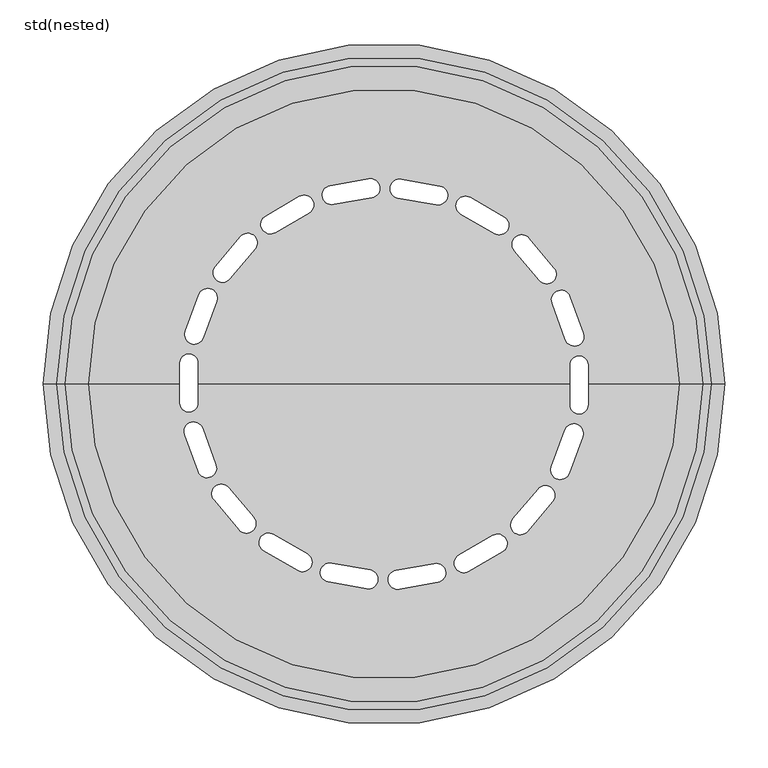
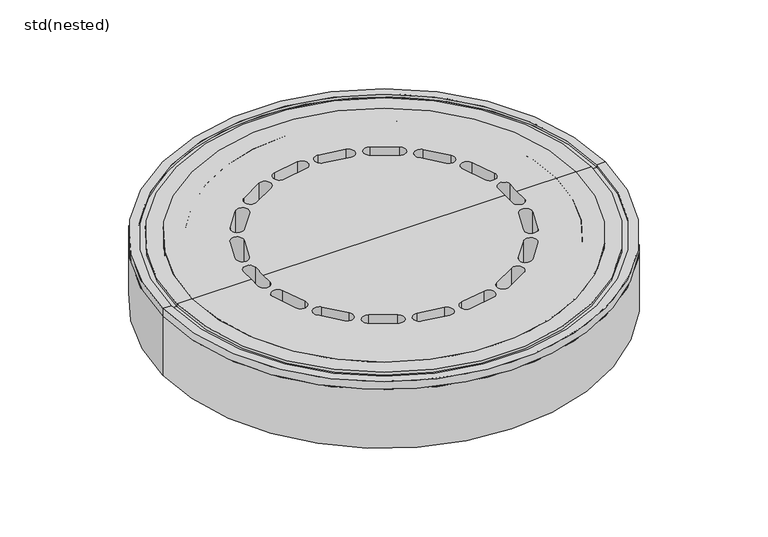
"""IFC4 building model written with IfcOpenShell, lengths in millimetres: sanitary terminal geometry, std(nested)."""

from ifc_helpers import new_model, si_unit, frame, origin, place, context, project, spatial, polyline, circle_curve, source, transform, mapped, element, save
from ifc_brep_helpers import plane_surface, cylinder_surface, revolved_surface, advanced_brep


def std_nested_a43e4b7d(model_context):
    return source(origin(), model_context, "Body", "AdvancedBrep", [
        advanced_brep(
        [(302.5, 0.0, -50.0), (-302.5, 0.0, -50.0), (-340.0, 0.0, -50.0), (340.0, 0.0, -50.0), (302.5, 0.0, -94.7677946), (-302.5, 0.0, -94.7677946), (235.8458576, 0.0, -94.7677946), (235.8458576, 21.356506, -94.7677946), (213.8458576, 21.356506, -94.7677946), (213.8458576, 0.0, -94.7677946), (0.0, 0.0, -94.7677946), (-213.8458576, 0.0, -94.7677946), (-213.8458576, 23.643494, -94.7677946), (-235.8458576, 23.643494, -94.7677946), (-235.8458576, 0.0, -94.7677946), (-17.6699072, 236.3684787, -94.7677946), (-61.9862561, 228.5543107, -94.7677946), (-58.1659962, 206.8885402, -94.7677946), (-13.8496473, 214.7027082, -94.7677946), (-97.4470624, 216.0702511, -94.7677946), (-136.4182055, 193.5702511, -94.7677946), (-125.4182055, 174.5176922, -94.7677946), (-86.4470624, 197.0176922, -94.7677946), (-165.4706637, 169.7107623, -94.7677946), (-194.3961061, 135.2387623, -94.7677946), (-177.5431283, 121.0974349, -94.7677946), (-148.6176859, 155.5694348, -94.7677946), (-213.5360608, 102.8816509, -94.7677946), (-228.9269673, 60.5954829, -94.7677946), (-208.2537296, 53.0710398, -94.7677946), (-192.8628232, 95.3572077, -94.7677946), (229.7091632, 58.4464172, -94.7677946), (214.3182568, 100.7325851, -94.7677946), (193.6450191, 93.208142, -94.7677946), (209.0359256, 50.921974, -94.7677946), (195.8661536, 133.4868279, -94.7677946), (166.9407112, 167.9588278, -94.7677946), (150.0877335, 153.8175004, -94.7677946), (179.0131759, 119.3455005, -94.7677946), (138.3987952, 192.4267571, -94.7677946), (99.4276521, 214.9267571, -94.7677946), (88.4276521, 195.8741982, -94.7677946), (127.3987952, 173.3741982, -94.7677946), (64.2384996, 228.1571794, -94.7677946), (19.9221507, 235.9713474, -94.7677946), (16.1018908, 214.3055769, -94.7677946), (60.4182397, 206.4914089, -94.7677946), (-235.8458576, -21.356506, -94.7677946), (-213.8458576, -21.356506, -94.7677946), (213.8458576, -23.643494, -94.7677946), (235.8458576, -23.643494, -94.7677946), (-229.7091632, -58.4464172, -94.7677946), (-214.3182568, -100.7325851, -94.7677946), (-193.6450191, -93.208142, -94.7677946), (-209.0359256, -50.921974, -94.7677946), (-195.8661536, -133.4868279, -94.7677946), (-166.9407112, -167.9588278, -94.7677946), (-150.0877335, -153.8175004, -94.7677946), (-179.0131759, -119.3455005, -94.7677946), (-138.3987952, -192.4267571, -94.7677946), (-99.4276521, -214.9267571, -94.7677946), (-88.4276521, -195.8741982, -94.7677946), (-127.3987952, -173.3741982, -94.7677946), (-64.2384996, -228.1571794, -94.7677946), (-19.9221507, -235.9713474, -94.7677946), (-16.1018908, -214.3055769, -94.7677946), (-60.4182397, -206.4914089, -94.7677946), (17.6699072, -236.3684787, -94.7677946), (61.9862561, -228.5543107, -94.7677946), (58.1659962, -206.8885402, -94.7677946), (13.8496473, -214.7027082, -94.7677946), (97.4470624, -216.0702511, -94.7677946), (136.4182055, -193.5702511, -94.7677946), (125.4182055, -174.5176922, -94.7677946), (86.4470624, -197.0176922, -94.7677946), (165.4706637, -169.7107623, -94.7677946), (194.3961061, -135.2387623, -94.7677946), (177.5431283, -121.0974349, -94.7677946), (148.6176859, -155.5694348, -94.7677946), (213.5360608, -102.8816509, -94.7677946), (228.9269673, -60.5954829, -94.7677946), (208.2537296, -53.0710398, -94.7677946), (192.8628232, -95.3572077, -94.7677946), (340.0, 0.0, 0.0), (-340.0, 0.0, 0.0), (-235.8458576, 0.0, 0.0), (-235.8458576, 23.643494, 0.0), (-213.8458576, 23.643494, 0.0), (-213.8458576, 0.0, 0.0), (0.0, 0.0, 0.0), (213.8458576, 0.0, 0.0), (213.8458576, 21.356506, 0.0), (235.8458576, 21.356506, 0.0), (235.8458576, 0.0, 0.0), (-61.9862561, 228.5543107, 0.0), (-17.6699072, 236.3684787, 0.0), (-13.8496473, 214.7027082, 0.0), (-58.1659962, 206.8885402, 0.0), (-136.4182055, 193.5702511, 0.0), (-97.4470624, 216.0702511, 0.0), (-86.4470624, 197.0176922, 0.0), (-125.4182055, 174.5176922, 0.0), (-194.3961061, 135.2387623, 0.0), (-165.4706637, 169.7107623, 0.0), (-148.6176859, 155.5694348, 0.0), (-177.5431283, 121.0974349, 0.0), (-228.9269673, 60.5954829, 0.0), (-213.5360608, 102.8816509, 0.0), (-192.8628232, 95.3572077, 0.0), (-208.2537296, 53.0710398, 0.0), (214.3182568, 100.7325851, 0.0), (229.7091632, 58.4464172, 0.0), (209.0359256, 50.921974, 0.0), (193.6450191, 93.208142, 0.0), (166.9407112, 167.9588278, 0.0), (195.8661536, 133.4868279, 0.0), (179.0131759, 119.3455005, 0.0), (150.0877335, 153.8175004, 0.0), (99.4276521, 214.9267571, 0.0), (138.3987952, 192.4267571, 0.0), (127.3987952, 173.3741982, 0.0), (88.4276521, 195.8741982, 0.0), (19.9221507, 235.9713474, 0.0), (64.2384996, 228.1571794, 0.0), (60.4182397, 206.4914089, 0.0), (16.1018908, 214.3055769, 0.0), (235.8458576, -23.643494, 0.0), (213.8458576, -23.643494, 0.0), (-213.8458576, -21.356506, 0.0), (-235.8458576, -21.356506, 0.0), (-214.3182568, -100.7325851, 0.0), (-229.7091632, -58.4464172, 0.0), (-209.0359256, -50.921974, 0.0), (-193.6450191, -93.208142, 0.0), (-166.9407112, -167.9588278, 0.0), (-195.8661536, -133.4868279, 0.0), (-179.0131759, -119.3455005, 0.0), (-150.0877335, -153.8175004, 0.0), (-99.4276521, -214.9267571, 0.0), (-138.3987952, -192.4267571, 0.0), (-127.3987952, -173.3741982, 0.0), (-88.4276521, -195.8741982, 0.0), (-19.9221507, -235.9713474, 0.0), (-64.2384996, -228.1571794, 0.0), (-60.4182397, -206.4914089, 0.0), (-16.1018908, -214.3055769, 0.0), (61.9862561, -228.5543107, 0.0), (17.6699072, -236.3684787, 0.0), (13.8496473, -214.7027082, 0.0), (58.1659962, -206.8885402, 0.0), (136.4182055, -193.5702511, 0.0), (97.4470624, -216.0702511, 0.0), (86.4470624, -197.0176922, 0.0), (125.4182055, -174.5176922, 0.0), (194.3961061, -135.2387623, 0.0), (165.4706637, -169.7107623, 0.0), (148.6176859, -155.5694348, 0.0), (177.5431283, -121.0974349, 0.0), (228.9269673, -60.5954829, 0.0), (213.5360608, -102.8816509, 0.0), (192.8628232, -95.3572077, 0.0), (208.2537296, -53.0710398, 0.0)],
        [
            (0, 1, circle_curve(frame((0.0, 0.0, -50.0), z_axis=(0.0, 0.0, 1.0), x_axis=(-1.0, 0.0, 0.0)), 302.5)),
            (1, 2),
            (2, 3, circle_curve(frame((0.0, 0.0, -50.0), z_axis=(0.0, 0.0, -1.0), x_axis=(-1.0, 0.0, 0.0)), 340.0)),
            (3, 0),
            (1, 0, circle_curve(frame((0.0, 0.0, -50.0), z_axis=(0.0, 0.0, 1.0), x_axis=(-1.0, 0.0, 0.0)), 302.5)),
            (3, 2, circle_curve(frame((0.0, 0.0, -50.0), z_axis=(0.0, 0.0, -1.0), x_axis=(-1.0, 0.0, 0.0)), 340.0)),
            (0, 4),
            (4, 5, circle_curve(frame((0.0, 0.0, -94.7677946), z_axis=(0.0, 0.0, 1.0), x_axis=(-1.0, 0.0, 0.0)), 302.5)),
            (5, 1),
            (5, 4, circle_curve(frame((0.0, 0.0, -94.7677946), z_axis=(0.0, 0.0, 1.0), x_axis=(-1.0, 0.0, 0.0)), 302.5)),
            (4, 6),
            (6, 7),
            (7, 8, circle_curve(frame((224.8458576, 21.356506, -94.7677946), z_axis=(0.0, 0.0, 1.0), x_axis=(0.5000000000000374, 0.8660254037844171, 0.0)), 11.0)),
            (8, 9),
            (9, 10),
            (10, 11),
            (11, 12),
            (12, 13, circle_curve(frame((-224.8458576, 23.643494, -94.7677946), z_axis=(0.0, 0.0, 1.0), x_axis=(-0.5000000000000231, -0.8660254037844253, 0.0)), 11.0)),
            (13, 14),
            (14, 5),
            (15, 16),
            (16, 17, circle_curve(frame((-60.0761261, 217.7214254, -94.7677946), z_axis=(0.0, 0.0, 1.0), x_axis=(-0.9396926207858995, 0.34202014332569325, 0.0)), 11.0)),
            (17, 18),
            (18, 15, circle_curve(frame((-15.7597772, 225.5355934, -94.7677946), z_axis=(0.0, 0.0, 1.0), x_axis=(-0.9396926207858995, 0.34202014332569325, 0.0)), 11.0)),
            (19, 20),
            (20, 21, circle_curve(frame((-130.9182055, 184.0439716, -94.7677946), z_axis=(0.0, 0.0, 1.0), x_axis=(-1.0, 0.0, 0.0)), 11.0)),
            (21, 22),
            (22, 19, circle_curve(frame((-91.9470624, 206.5439716, -94.7677946), z_axis=(0.0, 0.0, 1.0), x_axis=(-1.0, 0.0, 0.0)), 11.0)),
            (23, 24),
            (24, 25, circle_curve(frame((-185.9696172, 128.1680986, -94.7677946), z_axis=(0.0, 0.0, 1.0), x_axis=(-0.9396926207859174, -0.34202014332564423, 0.0)), 11.0)),
            (25, 26),
            (26, 23, circle_curve(frame((-157.0441748, 162.6400985, -94.7677946), z_axis=(0.0, 0.0, 1.0), x_axis=(-0.9396926207859174, -0.34202014332564423, 0.0)), 11.0)),
            (27, 28),
            (28, 29, circle_curve(frame((-218.5903484, 56.8332613, -94.7677946), z_axis=(0.0, 0.0, 1.0), x_axis=(-0.7660444431189948, -0.6427876096865193, 0.0)), 11.0)),
            (29, 30),
            (30, 27, circle_curve(frame((-203.199442, 99.1194293, -94.7677946), z_axis=(0.0, 0.0, 1.0), x_axis=(-0.7660444431189948, -0.6427876096865193, 0.0)), 11.0)),
            (31, 32),
            (32, 33, circle_curve(frame((203.981638, 96.9703635, -94.7677946), z_axis=(0.0, 0.0, 1.0), x_axis=(0.17364817766697244, 0.9848077530122008, 0.0)), 11.0)),
            (33, 34),
            (34, 31, circle_curve(frame((219.3725444, 54.6841956, -94.7677946), z_axis=(0.0, 0.0, 1.0), x_axis=(0.17364817766697244, 0.9848077530122008, 0.0)), 11.0)),
            (35, 36),
            (36, 37, circle_curve(frame((158.5142223, 160.8881641, -94.7677946), z_axis=(0.0, 0.0, 1.0), x_axis=(-0.17364817766688778, 0.9848077530122157, 0.0)), 11.0)),
            (37, 38),
            (38, 35, circle_curve(frame((187.4396648, 126.4161642, -94.7677946), z_axis=(0.0, 0.0, 1.0), x_axis=(-0.17364817766688778, 0.9848077530122157, 0.0)), 11.0)),
            (39, 40),
            (40, 41, circle_curve(frame((93.9276521, 205.4004776, -94.7677946), z_axis=(0.0, 0.0, 1.0), x_axis=(-0.4999999999999623, 0.8660254037844604, 0.0)), 11.0)),
            (41, 42),
            (42, 39, circle_curve(frame((132.8987952, 182.9004776, -94.7677946), z_axis=(0.0, 0.0, 1.0), x_axis=(-0.4999999999999623, 0.8660254037844604, 0.0)), 11.0)),
            (43, 44),
            (44, 45, circle_curve(frame((18.0120207, 225.1384621, -94.7677946), z_axis=(0.0, 0.0, 1.0), x_axis=(-0.766044443118958, 0.6427876096865633, 0.0)), 11.0)),
            (45, 46),
            (46, 43, circle_curve(frame((62.3283696, 217.3242941, -94.7677946), z_axis=(0.0, 0.0, 1.0), x_axis=(-0.766044443118958, 0.6427876096865633, 0.0)), 11.0)),
            (14, 47),
            (47, 48, circle_curve(frame((-224.8458576, -21.356506, -94.7677946), z_axis=(0.0, 0.0, 1.0), x_axis=(-0.5000000000000231, -0.8660254037844253, 0.0)), 11.0)),
            (48, 11),
            (9, 49),
            (49, 50, circle_curve(frame((224.8458576, -23.643494, -94.7677946), z_axis=(0.0, 0.0, 1.0), x_axis=(0.5000000000000374, 0.8660254037844171, 0.0)), 11.0)),
            (50, 6),
            (51, 52),
            (52, 53, circle_curve(frame((-203.981638, -96.9703635, -94.7677946), z_axis=(0.0, 0.0, 1.0), x_axis=(-0.1736481776669569, -0.9848077530122035, 0.0)), 11.0)),
            (53, 54),
            (54, 51, circle_curve(frame((-219.3725444, -54.6841956, -94.7677946), z_axis=(0.0, 0.0, 1.0), x_axis=(-0.1736481776669569, -0.9848077530122035, 0.0)), 11.0)),
            (55, 56),
            (56, 57, circle_curve(frame((-158.5142223, -160.8881641, -94.7677946), z_axis=(0.0, 0.0, 1.0), x_axis=(0.17364817766690338, -0.9848077530122129, 0.0)), 11.0)),
            (57, 58),
            (58, 55, circle_curve(frame((-187.4396648, -126.4161642, -94.7677946), z_axis=(0.0, 0.0, 1.0), x_axis=(0.17364817766690338, -0.9848077530122129, 0.0)), 11.0)),
            (59, 60),
            (60, 61, circle_curve(frame((-93.9276521, -205.4004776, -94.7677946), z_axis=(0.0, 0.0, 1.0), x_axis=(0.4999999999999759, -0.8660254037844527, 0.0)), 11.0)),
            (61, 62),
            (62, 59, circle_curve(frame((-132.8987952, -182.9004776, -94.7677946), z_axis=(0.0, 0.0, 1.0), x_axis=(0.4999999999999759, -0.8660254037844527, 0.0)), 11.0)),
            (63, 64),
            (64, 65, circle_curve(frame((-18.0120207, -225.1384621, -94.7677946), z_axis=(0.0, 0.0, 1.0), x_axis=(0.7660444431189559, -0.6427876096865658, 0.0)), 11.0)),
            (65, 66),
            (66, 63, circle_curve(frame((-62.3283696, -217.3242941, -94.7677946), z_axis=(0.0, 0.0, 1.0), x_axis=(0.7660444431189559, -0.6427876096865658, 0.0)), 11.0)),
            (67, 68),
            (68, 69, circle_curve(frame((60.0761261, -217.7214254, -94.7677946), z_axis=(0.0, 0.0, 1.0), x_axis=(0.9396926207858944, -0.34202014332570735, 0.0)), 11.0)),
            (69, 70),
            (70, 67, circle_curve(frame((15.7597772, -225.5355934, -94.7677946), z_axis=(0.0, 0.0, 1.0), x_axis=(0.9396926207858944, -0.34202014332570735, 0.0)), 11.0)),
            (71, 72),
            (72, 73, circle_curve(frame((130.9182055, -184.0439716, -94.7677946), z_axis=(0.0, 0.0, 1.0), x_axis=(1.0, 0.0, 0.0)), 11.0)),
            (73, 74),
            (74, 71, circle_curve(frame((91.9470624, -206.5439716, -94.7677946), z_axis=(0.0, 0.0, 1.0), x_axis=(1.0, 0.0, 0.0)), 11.0)),
            (75, 76),
            (76, 77, circle_curve(frame((185.9696172, -128.1680986, -94.7677946), z_axis=(0.0, 0.0, 1.0), x_axis=(0.939692620785923, 0.34202014332562886, 0.0)), 11.0)),
            (77, 78),
            (78, 75, circle_curve(frame((157.0441748, -162.6400985, -94.7677946), z_axis=(0.0, 0.0, 1.0), x_axis=(0.939692620785923, 0.34202014332562886, 0.0)), 11.0)),
            (79, 80),
            (80, 81, circle_curve(frame((218.5903484, -56.8332613, -94.7677946), z_axis=(0.0, 0.0, 1.0), x_axis=(0.766044443119005, 0.6427876096865074, 0.0)), 11.0)),
            (81, 82),
            (82, 79, circle_curve(frame((203.199442, -99.1194293, -94.7677946), z_axis=(0.0, 0.0, 1.0), x_axis=(0.766044443119005, 0.6427876096865074, 0.0)), 11.0)),
            (83, 84, circle_curve(frame((0.0, 0.0, 0.0), z_axis=(0.0, 0.0, 1.0), x_axis=(-1.0, 0.0, 0.0)), 340.0)),
            (84, 85),
            (85, 86),
            (86, 87, circle_curve(frame((-224.8458576, 23.643494, 0.0), z_axis=(0.0, 0.0, -1.0), x_axis=(-0.5000000000000231, -0.8660254037844253, 0.0)), 11.0)),
            (87, 88),
            (88, 89),
            (89, 90),
            (90, 91),
            (91, 92, circle_curve(frame((224.8458576, 21.356506, 0.0), z_axis=(0.0, 0.0, -1.0), x_axis=(0.5000000000000374, 0.8660254037844171, 0.0)), 11.0)),
            (92, 93),
            (93, 83),
            (94, 95),
            (95, 96, circle_curve(frame((-15.7597772, 225.5355934, 0.0), z_axis=(0.0, 0.0, -1.0), x_axis=(-0.9396926207858995, 0.34202014332569325, 0.0)), 11.0)),
            (96, 97),
            (97, 94, circle_curve(frame((-60.0761261, 217.7214254, 0.0), z_axis=(0.0, 0.0, -1.0), x_axis=(-0.9396926207858995, 0.34202014332569325, 0.0)), 11.0)),
            (98, 99),
            (99, 100, circle_curve(frame((-91.9470624, 206.5439716, 0.0), z_axis=(0.0, 0.0, -1.0), x_axis=(-1.0, 0.0, 0.0)), 11.0)),
            (100, 101),
            (101, 98, circle_curve(frame((-130.9182055, 184.0439716, 0.0), z_axis=(0.0, 0.0, -1.0), x_axis=(-1.0, 0.0, 0.0)), 11.0)),
            (102, 103),
            (103, 104, circle_curve(frame((-157.0441748, 162.6400985, 0.0), z_axis=(0.0, 0.0, -1.0), x_axis=(-0.9396926207859174, -0.34202014332564423, 0.0)), 11.0)),
            (104, 105),
            (105, 102, circle_curve(frame((-185.9696172, 128.1680986, 0.0), z_axis=(0.0, 0.0, -1.0), x_axis=(-0.9396926207859174, -0.34202014332564423, 0.0)), 11.0)),
            (106, 107),
            (107, 108, circle_curve(frame((-203.199442, 99.1194293, 0.0), z_axis=(0.0, 0.0, -1.0), x_axis=(-0.7660444431189948, -0.6427876096865193, 0.0)), 11.0)),
            (108, 109),
            (109, 106, circle_curve(frame((-218.5903484, 56.8332613, 0.0), z_axis=(0.0, 0.0, -1.0), x_axis=(-0.7660444431189948, -0.6427876096865193, 0.0)), 11.0)),
            (110, 111),
            (111, 112, circle_curve(frame((219.3725444, 54.6841956, 0.0), z_axis=(0.0, 0.0, -1.0), x_axis=(0.17364817766697244, 0.9848077530122008, 0.0)), 11.0)),
            (112, 113),
            (113, 110, circle_curve(frame((203.981638, 96.9703635, 0.0), z_axis=(0.0, 0.0, -1.0), x_axis=(0.17364817766697244, 0.9848077530122008, 0.0)), 11.0)),
            (114, 115),
            (115, 116, circle_curve(frame((187.4396648, 126.4161642, 0.0), z_axis=(0.0, 0.0, -1.0), x_axis=(-0.17364817766688778, 0.9848077530122157, 0.0)), 11.0)),
            (116, 117),
            (117, 114, circle_curve(frame((158.5142223, 160.8881641, 0.0), z_axis=(0.0, 0.0, -1.0), x_axis=(-0.17364817766688778, 0.9848077530122157, 0.0)), 11.0)),
            (118, 119),
            (119, 120, circle_curve(frame((132.8987952, 182.9004776, 0.0), z_axis=(0.0, 0.0, -1.0), x_axis=(-0.4999999999999623, 0.8660254037844604, 0.0)), 11.0)),
            (120, 121),
            (121, 118, circle_curve(frame((93.9276521, 205.4004776, 0.0), z_axis=(0.0, 0.0, -1.0), x_axis=(-0.4999999999999623, 0.8660254037844604, 0.0)), 11.0)),
            (122, 123),
            (123, 124, circle_curve(frame((62.3283696, 217.3242941, 0.0), z_axis=(0.0, 0.0, -1.0), x_axis=(-0.766044443118958, 0.6427876096865633, 0.0)), 11.0)),
            (124, 125),
            (125, 122, circle_curve(frame((18.0120207, 225.1384621, 0.0), z_axis=(0.0, 0.0, -1.0), x_axis=(-0.766044443118958, 0.6427876096865633, 0.0)), 11.0)),
            (84, 83, circle_curve(frame((0.0, 0.0, 0.0), z_axis=(0.0, 0.0, 1.0), x_axis=(-1.0, 0.0, 0.0)), 340.0)),
            (93, 126),
            (126, 127, circle_curve(frame((224.8458576, -23.643494, 0.0), z_axis=(0.0, 0.0, -1.0), x_axis=(0.5000000000000374, 0.8660254037844171, 0.0)), 11.0)),
            (127, 90),
            (88, 128),
            (128, 129, circle_curve(frame((-224.8458576, -21.356506, 0.0), z_axis=(0.0, 0.0, -1.0), x_axis=(-0.5000000000000231, -0.8660254037844253, 0.0)), 11.0)),
            (129, 85),
            (130, 131),
            (131, 132, circle_curve(frame((-219.3725444, -54.6841956, 0.0), z_axis=(0.0, 0.0, -1.0), x_axis=(-0.1736481776669569, -0.9848077530122035, 0.0)), 11.0)),
            (132, 133),
            (133, 130, circle_curve(frame((-203.981638, -96.9703635, 0.0), z_axis=(0.0, 0.0, -1.0), x_axis=(-0.1736481776669569, -0.9848077530122035, 0.0)), 11.0)),
            (134, 135),
            (135, 136, circle_curve(frame((-187.4396648, -126.4161642, 0.0), z_axis=(0.0, 0.0, -1.0), x_axis=(0.17364817766690338, -0.9848077530122129, 0.0)), 11.0)),
            (136, 137),
            (137, 134, circle_curve(frame((-158.5142223, -160.8881641, 0.0), z_axis=(0.0, 0.0, -1.0), x_axis=(0.17364817766690338, -0.9848077530122129, 0.0)), 11.0)),
            (138, 139),
            (139, 140, circle_curve(frame((-132.8987952, -182.9004776, 0.0), z_axis=(0.0, 0.0, -1.0), x_axis=(0.4999999999999759, -0.8660254037844527, 0.0)), 11.0)),
            (140, 141),
            (141, 138, circle_curve(frame((-93.9276521, -205.4004776, 0.0), z_axis=(0.0, 0.0, -1.0), x_axis=(0.4999999999999759, -0.8660254037844527, 0.0)), 11.0)),
            (142, 143),
            (143, 144, circle_curve(frame((-62.3283696, -217.3242941, 0.0), z_axis=(0.0, 0.0, -1.0), x_axis=(0.7660444431189559, -0.6427876096865658, 0.0)), 11.0)),
            (144, 145),
            (145, 142, circle_curve(frame((-18.0120207, -225.1384621, 0.0), z_axis=(0.0, 0.0, -1.0), x_axis=(0.7660444431189559, -0.6427876096865658, 0.0)), 11.0)),
            (146, 147),
            (147, 148, circle_curve(frame((15.7597772, -225.5355934, 0.0), z_axis=(0.0, 0.0, -1.0), x_axis=(0.9396926207858944, -0.34202014332570735, 0.0)), 11.0)),
            (148, 149),
            (149, 146, circle_curve(frame((60.0761261, -217.7214254, 0.0), z_axis=(0.0, 0.0, -1.0), x_axis=(0.9396926207858944, -0.34202014332570735, 0.0)), 11.0)),
            (150, 151),
            (151, 152, circle_curve(frame((91.9470624, -206.5439716, 0.0), z_axis=(0.0, 0.0, -1.0), x_axis=(1.0, 0.0, 0.0)), 11.0)),
            (152, 153),
            (153, 150, circle_curve(frame((130.9182055, -184.0439716, 0.0), z_axis=(0.0, 0.0, -1.0), x_axis=(1.0, 0.0, 0.0)), 11.0)),
            (154, 155),
            (155, 156, circle_curve(frame((157.0441748, -162.6400985, 0.0), z_axis=(0.0, 0.0, -1.0), x_axis=(0.939692620785923, 0.34202014332562886, 0.0)), 11.0)),
            (156, 157),
            (157, 154, circle_curve(frame((185.9696172, -128.1680986, 0.0), z_axis=(0.0, 0.0, -1.0), x_axis=(0.939692620785923, 0.34202014332562886, 0.0)), 11.0)),
            (158, 159),
            (159, 160, circle_curve(frame((203.199442, -99.1194293, 0.0), z_axis=(0.0, 0.0, -1.0), x_axis=(0.766044443119005, 0.6427876096865074, 0.0)), 11.0)),
            (160, 161),
            (161, 158, circle_curve(frame((218.5903484, -56.8332613, 0.0), z_axis=(0.0, 0.0, -1.0), x_axis=(0.766044443119005, 0.6427876096865074, 0.0)), 11.0)),
            (2, 84),
            (83, 3),
            (15, 95),
            (94, 16),
            (97, 17),
            (96, 18),
            (19, 99),
            (98, 20),
            (101, 21),
            (100, 22),
            (23, 103),
            (102, 24),
            (105, 25),
            (104, 26),
            (27, 107),
            (106, 28),
            (109, 29),
            (108, 30),
            (13, 86),
            (129, 47),
            (128, 48),
            (87, 12),
            (51, 131),
            (130, 52),
            (133, 53),
            (132, 54),
            (55, 135),
            (134, 56),
            (137, 57),
            (136, 58),
            (59, 139),
            (138, 60),
            (141, 61),
            (140, 62),
            (63, 143),
            (142, 64),
            (145, 65),
            (144, 66),
            (67, 147),
            (146, 68),
            (149, 69),
            (148, 70),
            (71, 151),
            (150, 72),
            (153, 73),
            (152, 74),
            (75, 155),
            (154, 76),
            (157, 77),
            (156, 78),
            (79, 159),
            (158, 80),
            (161, 81),
            (160, 82),
            (50, 126),
            (92, 7),
            (91, 8),
            (127, 49),
            (31, 111),
            (110, 32),
            (113, 33),
            (112, 34),
            (35, 115),
            (114, 36),
            (117, 37),
            (116, 38),
            (39, 119),
            (118, 40),
            (121, 41),
            (120, 42),
            (43, 123),
            (122, 44),
            (125, 45),
            (124, 46),
        ],
        [
            plane_surface(frame((0.0, 0.0, -50.0), z_axis=(0.0, 0.0, -1.0), x_axis=(-1.0, 0.0, 0.0))),
            cylinder_surface(frame((0.0, 0.0, 760.0), z_axis=(0.0, 0.0, -1.0), x_axis=(-1.0, 0.0, 0.0)), 302.5),
            plane_surface(frame((0.0, 0.0, -94.7677946), z_axis=(0.0, 0.0, -1.0), x_axis=(-1.0, 0.0, 0.0))),
            plane_surface(frame((0.0, 0.0, 0.0), z_axis=(0.0, 0.0, 1.0), x_axis=(-1.0, 0.0, 0.0))),
            cylinder_surface(frame((0.0, 0.0, 760.0), z_axis=(0.0, 0.0, -1.0), x_axis=(-1.0, 0.0, 0.0)), 340.0),
            plane_surface(frame((-17.6699072, 236.3684787, 1.0), z_axis=(0.17364817766690385, -0.9848077530122128, 0.0), x_axis=(0.0, 0.0, -1.0))),
            revolved_surface(polyline([(-70.4127449286449, 221.4836469765826, 2.842170943040401e-14), (-70.4127449286449, 221.4836469765826, -94.7677946)]), (-60.0761261, 217.7214254, -94.7677946), (0.0, 0.0, 1.0000000000000002)),
            plane_surface(frame((-58.1659962, 206.8885402, 1.0), z_axis=(-0.17364817766690446, 0.9848077530122127, 0.0), x_axis=(0.0, 0.0, -1.0))),
            revolved_surface(polyline([(-26.096396028644897, 229.29781497658263, 2.842170943040401e-14), (-26.096396028644897, 229.29781497658263, -94.7677946)]), (-15.7597772, 225.5355934, -94.7677946), (0.0, 0.0, 1.0000000000000002)),
            plane_surface(frame((-97.4470624, 216.0702511, 1.0), z_axis=(0.4999999999999766, -0.8660254037844521, 0.0), x_axis=(0.0, 0.0, -1.0))),
            revolved_surface(polyline([(-141.9182055, 184.0439716, 0.0), (-141.9182055, 184.0439716, -94.7677946)]), (-130.9182055, 184.0439716, -94.7677946), (0.0, 0.0, 1.0)),
            plane_surface(frame((-125.4182055, 174.5176922, 1.0), z_axis=(-0.4999999999999775, 0.8660254037844517, 0.0), x_axis=(0.0, 0.0, -1.0))),
            revolved_surface(polyline([(-102.9470624, 206.5439716, 0.0), (-102.9470624, 206.5439716, -94.7677946)]), (-91.9470624, 206.5439716, -94.7677946), (0.0, 0.0, 1.0)),
            plane_surface(frame((-165.4706637, 169.7107623, 1.0), z_axis=(0.7660444431189605, -0.6427876096865602, 0.0), x_axis=(0.0, 0.0, -1.0))),
            revolved_surface(polyline([(-196.3062360286451, 124.40587702341791, 2.842170943040401e-14), (-196.3062360286451, 124.40587702341791, -94.7677946)]), (-185.9696172, 128.1680986, -94.7677946), (0.0, 0.0, 1.0000000000000002)),
            plane_surface(frame((-177.5431283, 121.0974349, 1.0), z_axis=(-0.7660444431189618, 0.6427876096865587, 0.0), x_axis=(0.0, 0.0, -1.0))),
            revolved_surface(polyline([(-167.3807936286451, 158.87787692341792, 2.842170943040401e-14), (-167.3807936286451, 158.87787692341792, -94.7677946)]), (-157.0441748, 162.6400985, -94.7677946), (0.0, 0.0, 1.0000000000000002)),
            plane_surface(frame((-213.5360608, 102.8816509, 1.0), z_axis=(0.939692620785899, -0.3420201433256946, 0.0), x_axis=(0.0, 0.0, -1.0))),
            revolved_surface(polyline([(-227.01683727430895, 49.762597593448284, -2.842170943040401e-14), (-227.01683727430895, 49.762597593448284, -94.7677946)]), (-218.5903484, 56.8332613, -94.7677946), (0.0, 0.0, 0.9999999999999998)),
            plane_surface(frame((-208.2537296, 53.0710398, 1.0), z_axis=(-0.9396926207858998, 0.34202014332569264, 0.0), x_axis=(0.0, 0.0, -1.0))),
            revolved_surface(polyline([(-211.62593087430895, 92.04876559344828, -2.842170943040401e-14), (-211.62593087430895, 92.04876559344828, -94.7677946)]), (-203.199442, 99.1194293, -94.7677946), (0.0, 0.0, 0.9999999999999998)),
            plane_surface(frame((-235.8458576, 23.643494, 1.0), z_axis=(1.0, 0.0, 0.0), x_axis=(0.0, 0.0, -1.0))),
            revolved_surface(polyline([(-230.34585760000024, -30.882785441628677, -2.842170943040401e-14), (-230.34585760000024, -30.882785441628677, -94.7677946)]), (-224.8458576, -21.356506, -94.7677946), (0.0, 0.0, 0.9999999999999999)),
            plane_surface(frame((-213.8458576, -21.356506, 1.0), z_axis=(-1.0, 0.0, 0.0), x_axis=(0.0, 0.0, -1.0))),
            revolved_surface(polyline([(-230.34585760000024, 14.117214558371323, -2.842170943040401e-14), (-230.34585760000024, 14.117214558371323, -94.7677946)]), (-224.8458576, 23.643494, -94.7677946), (0.0, 0.0, 0.9999999999999999)),
            plane_surface(frame((-229.7091632, -58.4464172, 1.0), z_axis=(0.9396926207859182, 0.34202014332564196, 0.0), x_axis=(0.0, 0.0, -1.0))),
            revolved_surface(polyline([(-205.89176795433653, -107.80324878313425, 2.842170943040401e-14), (-205.89176795433653, -107.80324878313425, -94.7677946)]), (-203.981638, -96.9703635, -94.7677946), (0.0, 0.0, 1.0000000000000002)),
            plane_surface(frame((-193.6450191, -93.208142, 1.0), z_axis=(-0.9396926207859175, -0.3420201433256436, 0.0), x_axis=(0.0, 0.0, -1.0))),
            revolved_surface(polyline([(-221.28267435433654, -65.51708088313424, 2.842170943040401e-14), (-221.28267435433654, -65.51708088313424, -94.7677946)]), (-219.3725444, -54.6841956, -94.7677946), (0.0, 0.0, 1.0000000000000002)),
            plane_surface(frame((-195.8661536, -133.4868279, 1.0), z_axis=(0.7660444431189969, 0.6427876096865169, 0.0), x_axis=(0.0, 0.0, -1.0))),
            revolved_surface(polyline([(-156.60409234566407, -171.72104938313436, 2.842170943040401e-14), (-156.60409234566407, -171.72104938313436, -94.7677946)]), (-158.5142223, -160.8881641, -94.7677946), (0.0, 0.0, 1.0000000000000002)),
            plane_surface(frame((-150.0877335, -153.8175004, 1.0), z_axis=(-0.7660444431189957, -0.6427876096865184, 0.0), x_axis=(0.0, 0.0, -1.0))),
            revolved_surface(polyline([(-185.52953484566407, -137.24904948313434, 2.842170943040401e-14), (-185.52953484566407, -137.24904948313434, -94.7677946)]), (-187.4396648, -126.4161642, -94.7677946), (0.0, 0.0, 1.0000000000000002)),
            plane_surface(frame((-138.3987952, -192.4267571, 1.0), z_axis=(0.5000000000000249, 0.8660254037844243, 0.0), x_axis=(0.0, 0.0, -1.0))),
            revolved_surface(polyline([(-88.42765210000027, -214.92675704162897, 2.842170943040401e-14), (-88.42765210000027, -214.92675704162897, -94.7677946)]), (-93.9276521, -205.4004776, -94.7677946), (0.0, 0.0, 1.0000000000000002)),
            plane_surface(frame((-88.4276521, -195.8741982, 1.0), z_axis=(-0.5000000000000246, -0.8660254037844245, 0.0), x_axis=(0.0, 0.0, -1.0))),
            revolved_surface(polyline([(-127.39879520000027, -192.42675704162897, 2.842170943040401e-14), (-127.39879520000027, -192.42675704162897, -94.7677946)]), (-132.8987952, -182.9004776, -94.7677946), (0.0, 0.0, 1.0000000000000002)),
            plane_surface(frame((-64.2384996, -228.1571794, 1.0), z_axis=(0.17364817766696555, 0.9848077530122019, 0.0), x_axis=(0.0, 0.0, -1.0))),
            revolved_surface(polyline([(-9.585531825691486, -232.2091258065522, 0.0), (-9.585531825691486, -232.2091258065522, -94.7677946)]), (-18.0120207, -225.1384621, -94.7677946), (0.0, 0.0, 1.0)),
            plane_surface(frame((-16.1018908, -214.3055769, 1.0), z_axis=(-0.17364817766696405, -0.9848077530122021, 0.0), x_axis=(0.0, 0.0, -1.0))),
            revolved_surface(polyline([(-53.901880725691484, -224.3949578065522, 0.0), (-53.901880725691484, -224.3949578065522, -94.7677946)]), (-62.3283696, -217.3242941, -94.7677946), (0.0, 0.0, 1.0)),
            plane_surface(frame((17.6699072, -236.3684787, 1.0), z_axis=(-0.1736481776668888, 0.9848077530122155, 0.0), x_axis=(0.0, 0.0, -1.0))),
            revolved_surface(polyline([(70.41274492864484, -221.48364697658278, 2.842170943040401e-14), (70.41274492864484, -221.48364697658278, -94.7677946)]), (60.0761261, -217.7214254, -94.7677946), (0.0, 0.0, 1.0000000000000002)),
            plane_surface(frame((58.1659962, -206.8885402, 1.0), z_axis=(0.17364817766689025, -0.9848077530122151, 0.0), x_axis=(0.0, 0.0, -1.0))),
            revolved_surface(polyline([(26.09639602864484, -229.2978149765828, 2.842170943040401e-14), (26.09639602864484, -229.2978149765828, -94.7677946)]), (15.7597772, -225.5355934, -94.7677946), (0.0, 0.0, 1.0000000000000002)),
            plane_surface(frame((97.4470624, -216.0702511, 1.0), z_axis=(-0.49999999999996186, 0.8660254037844607, 0.0), x_axis=(0.0, 0.0, -1.0))),
            revolved_surface(polyline([(141.9182055, -184.0439716, 0.0), (141.9182055, -184.0439716, -94.7677946)]), (130.9182055, -184.0439716, -94.7677946), (0.0, 0.0, 1.0)),
            plane_surface(frame((125.4182055, -174.5176922, 1.0), z_axis=(0.49999999999996353, -0.8660254037844597, 0.0), x_axis=(0.0, 0.0, -1.0))),
            revolved_surface(polyline([(102.9470624, -206.5439716, 0.0), (102.9470624, -206.5439716, -94.7677946)]), (91.9470624, -206.5439716, -94.7677946), (0.0, 0.0, 1.0)),
            plane_surface(frame((165.4706637, -169.7107623, 1.0), z_axis=(-0.7660444431189494, 0.6427876096865737, 0.0), x_axis=(0.0, 0.0, -1.0))),
            revolved_surface(polyline([(196.30623602864515, -124.40587702341809, 2.842170943040401e-14), (196.30623602864515, -124.40587702341809, -94.7677946)]), (185.9696172, -128.1680986, -94.7677946), (0.0, 0.0, 1.0000000000000002)),
            plane_surface(frame((177.5431283, -121.0974349, 1.0), z_axis=(0.7660444431189507, -0.6427876096865719, 0.0), x_axis=(0.0, 0.0, -1.0))),
            revolved_surface(polyline([(167.38079362864516, -158.87787692341809, 2.842170943040401e-14), (167.38079362864516, -158.87787692341809, -94.7677946)]), (157.0441748, -162.6400985, -94.7677946), (0.0, 0.0, 1.0000000000000002)),
            plane_surface(frame((213.5360608, -102.8816509, 1.0), z_axis=(-0.939692620785894, 0.3420201433257084, 0.0), x_axis=(0.0, 0.0, -1.0))),
            revolved_surface(polyline([(227.01683727430907, -49.76259759344842, 2.842170943040401e-14), (227.01683727430907, -49.76259759344842, -94.7677946)]), (218.5903484, -56.8332613, -94.7677946), (0.0, 0.0, 1.0000000000000002)),
            plane_surface(frame((208.2537296, -53.0710398, 1.0), z_axis=(0.9396926207858938, -0.342020143325709, 0.0), x_axis=(0.0, 0.0, -1.0))),
            revolved_surface(polyline([(211.62593087430906, -92.04876559344841, 2.842170943040401e-14), (211.62593087430906, -92.04876559344841, -94.7677946)]), (203.199442, -99.1194293, -94.7677946), (0.0, 0.0, 1.0000000000000002)),
            plane_surface(frame((235.8458576, -23.643494, 1.0), z_axis=(-1.0, 0.0, 0.0), x_axis=(0.0, 0.0, -1.0))),
            revolved_surface(polyline([(230.3458576000004, 30.882785441628588, 0.0), (230.3458576000004, 30.882785441628588, -94.7677946)]), (224.8458576, 21.356506, -94.7677946), (0.0, 0.0, 1.0)),
            plane_surface(frame((213.8458576, 21.356506, 1.0), z_axis=(1.0, 0.0, 0.0), x_axis=(0.0, 0.0, -1.0))),
            revolved_surface(polyline([(230.3458576000004, -14.117214558371412, 0.0), (230.3458576000004, -14.117214558371412, -94.7677946)]), (224.8458576, -23.643494, -94.7677946), (0.0, 0.0, 1.0)),
            plane_surface(frame((229.7091632, 58.4464172, 1.0), z_axis=(-0.9396926207859237, -0.34202014332562675, 0.0), x_axis=(0.0, 0.0, -1.0))),
            revolved_surface(polyline([(205.8917679543367, 107.80324878313421, 2.842170943040401e-14), (205.8917679543367, 107.80324878313421, -94.7677946)]), (203.981638, 96.9703635, -94.7677946), (0.0, 0.0, 1.0000000000000002)),
            plane_surface(frame((193.6450191, 93.208142, 1.0), z_axis=(0.9396926207859231, 0.3420201433256284, 0.0), x_axis=(0.0, 0.0, -1.0))),
            revolved_surface(polyline([(221.2826743543367, 65.51708088313421, 2.842170943040401e-14), (221.2826743543367, 65.51708088313421, -94.7677946)]), (219.3725444, 54.6841956, -94.7677946), (0.0, 0.0, 1.0000000000000002)),
            plane_surface(frame((195.8661536, 133.4868279, 1.0), z_axis=(-0.7660444431190063, -0.6427876096865057, 0.0), x_axis=(0.0, 0.0, -1.0))),
            revolved_surface(polyline([(156.60409234566424, 171.72104938313439, 2.842170943040401e-14), (156.60409234566424, 171.72104938313439, -94.7677946)]), (158.5142223, 160.8881641, -94.7677946), (0.0, 0.0, 1.0000000000000002)),
            plane_surface(frame((150.0877335, 153.8175004, 1.0), z_axis=(0.7660444431190057, 0.6427876096865065, 0.0), x_axis=(0.0, 0.0, -1.0))),
            revolved_surface(polyline([(185.52953484566424, 137.24904948313437, 2.842170943040401e-14), (185.52953484566424, 137.24904948313437, -94.7677946)]), (187.4396648, 126.4161642, -94.7677946), (0.0, 0.0, 1.0000000000000002)),
            plane_surface(frame((138.3987952, 192.4267571, 1.0), z_axis=(-0.5000000000000391, -0.8660254037844162, 0.0), x_axis=(0.0, 0.0, -1.0))),
            revolved_surface(polyline([(88.42765210000042, 214.92675704162906, 0.0), (88.42765210000042, 214.92675704162906, -94.7677946)]), (93.9276521, 205.4004776, -94.7677946), (0.0, 0.0, 1.0)),
            plane_surface(frame((88.4276521, 195.8741982, 1.0), z_axis=(0.5000000000000381, 0.8660254037844167, 0.0), x_axis=(0.0, 0.0, -1.0))),
            revolved_surface(polyline([(127.39879520000041, 192.42675704162906, 0.0), (127.39879520000041, 192.42675704162906, -94.7677946)]), (132.8987952, 182.9004776, -94.7677946), (0.0, 0.0, 1.0)),
            plane_surface(frame((64.2384996, 228.1571794, 1.0), z_axis=(-0.17364817766696317, -0.9848077530122022, 0.0), x_axis=(0.0, 0.0, -1.0))),
            revolved_surface(polyline([(9.585531825691463, 232.2091258065522, 2.842170943040401e-14), (9.585531825691463, 232.2091258065522, -94.7677946)]), (18.0120207, 225.1384621, -94.7677946), (0.0, 0.0, 1.0000000000000002)),
            plane_surface(frame((16.1018908, 214.3055769, 1.0), z_axis=(0.17364817766696172, 0.9848077530122026, 0.0), x_axis=(0.0, 0.0, -1.0))),
            revolved_surface(polyline([(53.90188072569146, 224.3949578065522, 2.842170943040401e-14), (53.90188072569146, 224.3949578065522, -94.7677946)]), (62.3283696, 217.3242941, -94.7677946), (0.0, 0.0, 1.0000000000000002)),
        ],
        [
            (0, [[1, 2, 3, 4]]),
            (0, [[-2, 5, -4, 6]]),
            (1, [[-1, 7, 8, 9]]),
            (1, [[-5, -9, 10, -7]]),
            (2, [[-8, 11, 12, 13, 14, 15, 16, 17, 18, 19, 20], [21, 22, 23, 24], [25, 26, 27, 28], [29, 30, 31, 32], [33, 34, 35, 36], [37, 38, 39, 40], [41, 42, 43, 44], [45, 46, 47, 48], [49, 50, 51, 52]]),
            (2, [[-10, -20, 53, 54, 55, -16, -15, 56, 57, 58, -11], [59, 60, 61, 62], [63, 64, 65, 66], [67, 68, 69, 70], [71, 72, 73, 74], [75, 76, 77, 78], [79, 80, 81, 82], [83, 84, 85, 86], [87, 88, 89, 90]]),
            (3, [[91, 92, 93, 94, 95, 96, 97, 98, 99, 100, 101], [102, 103, 104, 105], [106, 107, 108, 109], [110, 111, 112, 113], [114, 115, 116, 117], [118, 119, 120, 121], [122, 123, 124, 125], [126, 127, 128, 129], [130, 131, 132, 133]]),
            (3, [[134, -101, 135, 136, 137, -97, -96, 138, 139, 140, -92], [141, 142, 143, 144], [145, 146, 147, 148], [149, 150, 151, 152], [153, 154, 155, 156], [157, 158, 159, 160], [161, 162, 163, 164], [165, 166, 167, 168], [169, 170, 171, 172]]),
            (4, [[-3, 173, -91, 174]]),
            (4, [[-6, -174, -134, -173]]),
            (5, [[175, -102, 176, -21]]),
            (6, [[-176, -105, 177, -22]]),
            (7, [[-177, -104, 178, -23]]),
            (8, [[-175, -24, -178, -103]]),
            (9, [[179, -106, 180, -25]]),
            (10, [[-180, -109, 181, -26]]),
            (11, [[-181, -108, 182, -27]]),
            (12, [[-179, -28, -182, -107]]),
            (13, [[183, -110, 184, -29]]),
            (14, [[-184, -113, 185, -30]]),
            (15, [[-185, -112, 186, -31]]),
            (16, [[-183, -32, -186, -111]]),
            (17, [[187, -114, 188, -33]]),
            (18, [[-188, -117, 189, -34]]),
            (19, [[-189, -116, 190, -35]]),
            (20, [[-187, -36, -190, -115]]),
            (21, [[191, -93, -140, 192, -53, -19]]),
            (22, [[-192, -139, 193, -54]]),
            (23, [[-193, -138, -95, 194, -17, -55]]),
            (24, [[-191, -18, -194, -94]]),
            (25, [[195, -141, 196, -59]]),
            (26, [[-196, -144, 197, -60]]),
            (27, [[-197, -143, 198, -61]]),
            (28, [[-195, -62, -198, -142]]),
            (29, [[199, -145, 200, -63]]),
            (30, [[-200, -148, 201, -64]]),
            (31, [[-201, -147, 202, -65]]),
            (32, [[-199, -66, -202, -146]]),
            (33, [[203, -149, 204, -67]]),
            (34, [[-204, -152, 205, -68]]),
            (35, [[-205, -151, 206, -69]]),
            (36, [[-203, -70, -206, -150]]),
            (37, [[207, -153, 208, -71]]),
            (38, [[-208, -156, 209, -72]]),
            (39, [[-209, -155, 210, -73]]),
            (40, [[-207, -74, -210, -154]]),
            (41, [[211, -157, 212, -75]]),
            (42, [[-212, -160, 213, -76]]),
            (43, [[-213, -159, 214, -77]]),
            (44, [[-211, -78, -214, -158]]),
            (45, [[215, -161, 216, -79]]),
            (46, [[-216, -164, 217, -80]]),
            (47, [[-217, -163, 218, -81]]),
            (48, [[-215, -82, -218, -162]]),
            (49, [[219, -165, 220, -83]]),
            (50, [[-220, -168, 221, -84]]),
            (51, [[-221, -167, 222, -85]]),
            (52, [[-219, -86, -222, -166]]),
            (53, [[223, -169, 224, -87]]),
            (54, [[-224, -172, 225, -88]]),
            (55, [[-225, -171, 226, -89]]),
            (56, [[-223, -90, -226, -170]]),
            (57, [[227, -135, -100, 228, -12, -58]]),
            (58, [[-228, -99, 229, -13]]),
            (59, [[-229, -98, -137, 230, -56, -14]]),
            (60, [[-227, -57, -230, -136]]),
            (61, [[231, -118, 232, -37]]),
            (62, [[-232, -121, 233, -38]]),
            (63, [[-233, -120, 234, -39]]),
            (64, [[-231, -40, -234, -119]]),
            (65, [[235, -122, 236, -41]]),
            (66, [[-236, -125, 237, -42]]),
            (67, [[-237, -124, 238, -43]]),
            (68, [[-235, -44, -238, -123]]),
            (69, [[239, -126, 240, -45]]),
            (70, [[-240, -129, 241, -46]]),
            (71, [[-241, -128, 242, -47]]),
            (72, [[-239, -48, -242, -127]]),
            (73, [[243, -130, 244, -49]]),
            (74, [[-244, -133, 245, -50]]),
            (75, [[-245, -132, 246, -51]]),
            (76, [[-243, -52, -246, -131]]),
        ],
    ),
        advanced_brep(
        [(392.5, 0.0, -125.0), (-392.5, 0.0, -125.0), (-392.5, 0.0, -15.0), (392.5, 0.0, -15.0), (323.0, 0.0, -125.0), (-323.0, 0.0, -125.0), (323.0, 0.0, -70.0), (-323.0, 0.0, -70.0), (352.5230242, 0.0, -35.6814835), (-352.5230242, 0.0, -35.6814835), (352.5230242, 0.0, -15.0), (-352.5230242, 0.0, -15.0)],
        [
            (0, 1, circle_curve(frame((0.0, 0.0, -125.0), z_axis=(0.0, 0.0, 1.0), x_axis=(-1.0, 0.0, 0.0)), 392.5)),
            (1, 2),
            (2, 3, circle_curve(frame((0.0, 0.0, -15.0), z_axis=(0.0, 0.0, -1.0), x_axis=(-1.0, 0.0, 0.0)), 392.5)),
            (3, 0),
            (1, 0, circle_curve(frame((0.0, 0.0, -125.0), z_axis=(0.0, 0.0, 1.0), x_axis=(-1.0, 0.0, 0.0)), 392.5)),
            (3, 2, circle_curve(frame((0.0, 0.0, -15.0), z_axis=(0.0, 0.0, -1.0), x_axis=(-1.0, 0.0, 0.0)), 392.5)),
            (4, 5, circle_curve(frame((0.0, 0.0, -125.0), z_axis=(0.0, 0.0, 1.0), x_axis=(-1.0, 0.0, 0.0)), 323.0)),
            (5, 1),
            (0, 4),
            (5, 4, circle_curve(frame((0.0, 0.0, -125.0), z_axis=(0.0, 0.0, 1.0), x_axis=(-1.0, 0.0, 0.0)), 323.0)),
            (6, 7, circle_curve(frame((0.0, 0.0, -70.0), z_axis=(0.0, 0.0, 1.0), x_axis=(-1.0, 0.0, 0.0)), 323.0)),
            (7, 5),
            (4, 6),
            (7, 6, circle_curve(frame((0.0, 0.0, -70.0), z_axis=(0.0, 0.0, 1.0), x_axis=(-1.0, 0.0, 0.0)), 323.0)),
            (8, 9, circle_curve(frame((0.0, 0.0, -35.6814835), z_axis=(0.0, 0.0, 1.0), x_axis=(-1.0, 0.0, 0.0)), 352.5230242)),
            (9, 7),
            (6, 8),
            (9, 8, circle_curve(frame((0.0, 0.0, -35.6814835), z_axis=(0.0, 0.0, 1.0), x_axis=(-1.0, 0.0, 0.0)), 352.5230242)),
            (10, 11, circle_curve(frame((0.0, 0.0, -15.0), z_axis=(0.0, 0.0, 1.0), x_axis=(-1.0, 0.0, 0.0)), 352.5230242)),
            (11, 9),
            (8, 10),
            (11, 10, circle_curve(frame((0.0, 0.0, -15.0), z_axis=(0.0, 0.0, 1.0), x_axis=(-1.0, 0.0, 0.0)), 352.5230242)),
            (2, 11),
            (10, 3),
        ],
        [
            cylinder_surface(frame((0.0, 0.0, 905.0), z_axis=(0.0, 0.0, -1.0), x_axis=(-1.0, 0.0, 0.0)), 392.5),
            plane_surface(frame((0.0, 0.0, -125.0), z_axis=(0.0, 0.0, -1.0), x_axis=(-1.0, 0.0, 0.0))),
            revolved_surface(polyline([(-323.0, 0.0, -125.0), (-323.0, 0.0, -70.0)]), (0.0, 0.0, 905.0), (0.0, 0.0, -1.0)),
            revolved_surface(polyline([(-323.0, 0.0, -70.0), (-352.5230242, 0.0, -35.6814835)]), (0.0, 0.0, 905.0), (0.0, 0.0, -1.0)),
            revolved_surface(polyline([(-352.5230242, 0.0, -35.68148350000001), (-352.5230242, 0.0, -15.0)]), (0.0, 0.0, 905.0), (0.0, 0.0, -1.0)),
            plane_surface(frame((0.0, 0.0, -15.0), z_axis=(0.0, 0.0, 1.0), x_axis=(-1.0, 0.0, 0.0))),
        ],
        [
            (0, [[1, 2, 3, 4]]),
            (0, [[5, -4, 6, -2]]),
            (1, [[7, 8, -1, 9]]),
            (1, [[10, -9, -5, -8]]),
            (2, [[11, 12, -7, 13]]),
            (2, [[14, -13, -10, -12]]),
            (3, [[15, 16, -11, 17]]),
            (3, [[18, -17, -14, -16]]),
            (4, [[19, 20, -15, 21]]),
            (4, [[22, -21, -18, -20]]),
            (5, [[-3, 23, -19, 24]]),
            (5, [[-6, -24, -22, -23]]),
        ],
    ),
        advanced_brep(
        [(392.5, 0.0, 0.0), (-392.5, 0.0, 0.0), (-377.5, 0.0, 0.0), (377.5, 0.0, 0.0), (392.5, 0.0, -15.0), (-392.5, 0.0, -15.0), (315.2230242, 0.0, -15.0), (-315.2230242, 0.0, -15.0), (315.2230242, 0.0, -35.6814835), (-315.2230242, 0.0, -35.6814835), (323.0, 0.0, -70.0), (-323.0, 0.0, -70.0), (323.0, 0.0, -125.0), (-323.0, 0.0, -125.0), (314.5, 0.0, -125.0), (-314.5, 0.0, -125.0), (314.5, 0.0, -43.0), (-314.5, 0.0, -43.0), (266.1522733, 0.0, -43.0), (-266.1522733, 0.0, -43.0), (266.1522733, 0.0, -22.0), (-266.1522733, 0.0, -22.0), (278.9314699, 0.0, -22.0), (-278.9314699, 0.0, -22.0), (278.9314699, 0.0, -30.0), (-278.9314699, 0.0, -30.0), (305.2, 0.0, -30.0), (-305.2, 0.0, -30.0), (305.2, 0.0, 0.0), (-305.2, 0.0, 0.0), (367.5, 0.0, 0.0), (-367.5, 0.0, 0.0), (367.5, 0.0, -5.0), (-367.5, 0.0, -5.0), (377.5, 0.0, -5.0), (-377.5, 0.0, -5.0)],
        [
            (0, 1, circle_curve(frame((0.0, 0.0, 0.0), z_axis=(0.0, 0.0, 1.0), x_axis=(-1.0, 0.0, 0.0)), 392.5)),
            (1, 2),
            (2, 3, circle_curve(frame((0.0, 0.0, 0.0), z_axis=(0.0, 0.0, -1.0), x_axis=(-1.0, 0.0, 0.0)), 377.5)),
            (3, 0),
            (1, 0, circle_curve(frame((0.0, 0.0, 0.0), z_axis=(0.0, 0.0, 1.0), x_axis=(-1.0, 0.0, 0.0)), 392.5)),
            (3, 2, circle_curve(frame((0.0, 0.0, 0.0), z_axis=(0.0, 0.0, -1.0), x_axis=(-1.0, 0.0, 0.0)), 377.5)),
            (4, 5, circle_curve(frame((0.0, 0.0, -15.0), z_axis=(0.0, 0.0, 1.0), x_axis=(-1.0, 0.0, 0.0)), 392.5)),
            (5, 1),
            (0, 4),
            (5, 4, circle_curve(frame((0.0, 0.0, -15.0), z_axis=(0.0, 0.0, 1.0), x_axis=(-1.0, 0.0, 0.0)), 392.5)),
            (6, 7, circle_curve(frame((0.0, 0.0, -15.0), z_axis=(0.0, 0.0, 1.0), x_axis=(-1.0, 0.0, 0.0)), 315.2230242)),
            (7, 5),
            (4, 6),
            (7, 6, circle_curve(frame((0.0, 0.0, -15.0), z_axis=(0.0, 0.0, 1.0), x_axis=(-1.0, 0.0, 0.0)), 315.2230242)),
            (8, 9, circle_curve(frame((0.0, 0.0, -35.6814835), z_axis=(0.0, 0.0, 1.0), x_axis=(-1.0, 0.0, 0.0)), 315.2230242)),
            (9, 7),
            (6, 8),
            (9, 8, circle_curve(frame((0.0, 0.0, -35.6814835), z_axis=(0.0, 0.0, 1.0), x_axis=(-1.0, 0.0, 0.0)), 315.2230242)),
            (10, 11, circle_curve(frame((0.0, 0.0, -70.0), z_axis=(0.0, 0.0, 1.0), x_axis=(-1.0, 0.0, 0.0)), 323.0)),
            (11, 9),
            (8, 10),
            (11, 10, circle_curve(frame((0.0, 0.0, -70.0), z_axis=(0.0, 0.0, 1.0), x_axis=(-1.0, 0.0, 0.0)), 323.0)),
            (12, 13, circle_curve(frame((0.0, 0.0, -125.0), z_axis=(0.0, 0.0, 1.0), x_axis=(-1.0, 0.0, 0.0)), 323.0)),
            (13, 11),
            (10, 12),
            (13, 12, circle_curve(frame((0.0, 0.0, -125.0), z_axis=(0.0, 0.0, 1.0), x_axis=(-1.0, 0.0, 0.0)), 323.0)),
            (14, 15, circle_curve(frame((0.0, 0.0, -125.0), z_axis=(0.0, 0.0, 1.0), x_axis=(-1.0, 0.0, 0.0)), 314.5)),
            (15, 13),
            (12, 14),
            (15, 14, circle_curve(frame((0.0, 0.0, -125.0), z_axis=(0.0, 0.0, 1.0), x_axis=(-1.0, 0.0, 0.0)), 314.5)),
            (16, 17, circle_curve(frame((0.0, 0.0, -43.0), z_axis=(0.0, 0.0, 1.0), x_axis=(-1.0, 0.0, 0.0)), 314.5)),
            (17, 15),
            (14, 16),
            (17, 16, circle_curve(frame((0.0, 0.0, -43.0), z_axis=(0.0, 0.0, 1.0), x_axis=(-1.0, 0.0, 0.0)), 314.5)),
            (18, 19, circle_curve(frame((0.0, 0.0, -43.0), z_axis=(0.0, 0.0, 1.0), x_axis=(-1.0, 0.0, 0.0)), 266.1522733)),
            (19, 17),
            (16, 18),
            (19, 18, circle_curve(frame((0.0, 0.0, -43.0), z_axis=(0.0, 0.0, 1.0), x_axis=(-1.0, 0.0, 0.0)), 266.1522733)),
            (20, 21, circle_curve(frame((0.0, 0.0, -22.0), z_axis=(0.0, 0.0, 1.0), x_axis=(-1.0, 0.0, 0.0)), 266.1522733)),
            (21, 19),
            (18, 20),
            (21, 20, circle_curve(frame((0.0, 0.0, -22.0), z_axis=(0.0, 0.0, 1.0), x_axis=(-1.0, 0.0, 0.0)), 266.1522733)),
            (22, 23, circle_curve(frame((0.0, 0.0, -22.0), z_axis=(0.0, 0.0, 1.0), x_axis=(-1.0, 0.0, 0.0)), 278.9314699)),
            (23, 21),
            (20, 22),
            (23, 22, circle_curve(frame((0.0, 0.0, -22.0), z_axis=(0.0, 0.0, 1.0), x_axis=(-1.0, 0.0, 0.0)), 278.9314699)),
            (24, 25, circle_curve(frame((0.0, 0.0, -30.0), z_axis=(0.0, 0.0, 1.0), x_axis=(-1.0, 0.0, 0.0)), 278.9314699)),
            (25, 23),
            (22, 24),
            (25, 24, circle_curve(frame((0.0, 0.0, -30.0), z_axis=(0.0, 0.0, 1.0), x_axis=(-1.0, 0.0, 0.0)), 278.9314699)),
            (26, 27, circle_curve(frame((0.0, 0.0, -30.0), z_axis=(0.0, 0.0, 1.0), x_axis=(-1.0, 0.0, 0.0)), 305.2)),
            (27, 25),
            (24, 26),
            (27, 26, circle_curve(frame((0.0, 0.0, -30.0), z_axis=(0.0, 0.0, 1.0), x_axis=(-1.0, 0.0, 0.0)), 305.2)),
            (28, 29, circle_curve(frame((0.0, 0.0, 0.0), z_axis=(0.0, 0.0, 1.0), x_axis=(-1.0, 0.0, 0.0)), 305.2)),
            (29, 27),
            (26, 28),
            (29, 28, circle_curve(frame((0.0, 0.0, 0.0), z_axis=(0.0, 0.0, 1.0), x_axis=(-1.0, 0.0, 0.0)), 305.2)),
            (30, 31, circle_curve(frame((0.0, 0.0, 0.0), z_axis=(0.0, 0.0, 1.0), x_axis=(-1.0, 0.0, 0.0)), 367.5)),
            (31, 29),
            (28, 30),
            (31, 30, circle_curve(frame((0.0, 0.0, 0.0), z_axis=(0.0, 0.0, 1.0), x_axis=(-1.0, 0.0, 0.0)), 367.5)),
            (32, 33, circle_curve(frame((0.0, 0.0, -5.0), z_axis=(0.0, 0.0, 1.0), x_axis=(-1.0, 0.0, 0.0)), 367.5)),
            (33, 31),
            (30, 32),
            (33, 32, circle_curve(frame((0.0, 0.0, -5.0), z_axis=(0.0, 0.0, 1.0), x_axis=(-1.0, 0.0, 0.0)), 367.5)),
            (34, 35, circle_curve(frame((0.0, 0.0, -5.0), z_axis=(0.0, 0.0, 1.0), x_axis=(-1.0, 0.0, 0.0)), 377.5)),
            (35, 33),
            (32, 34),
            (35, 34, circle_curve(frame((0.0, 0.0, -5.0), z_axis=(0.0, 0.0, 1.0), x_axis=(-1.0, 0.0, 0.0)), 377.5)),
            (2, 35),
            (34, 3),
        ],
        [
            plane_surface(frame((0.0, 0.0, 0.0), z_axis=(0.0, 0.0, 1.0), x_axis=(-1.0, 0.0, 0.0))),
            cylinder_surface(frame((0.0, 0.0, 220.0), z_axis=(0.0, 0.0, -1.0), x_axis=(-1.0, 0.0, 0.0)), 392.5),
            plane_surface(frame((0.0, 0.0, -15.0), z_axis=(0.0, 0.0, -1.0), x_axis=(-1.0, 0.0, 0.0))),
            cylinder_surface(frame((0.0, 0.0, 220.0), z_axis=(0.0, 0.0, -1.0), x_axis=(-1.0, 0.0, 0.0)), 315.2230242),
            revolved_surface(polyline([(-315.2230242, 0.0, -35.6814835), (-323.0, 0.0, -70.0)]), (0.0, 0.0, 220.0), (0.0, 0.0, -1.0)),
            cylinder_surface(frame((0.0, 0.0, 220.0), z_axis=(0.0, 0.0, -1.0), x_axis=(-1.0, 0.0, 0.0)), 323.0),
            plane_surface(frame((0.0, 0.0, -125.0), z_axis=(0.0, 0.0, -1.0), x_axis=(-1.0, 0.0, 0.0))),
            revolved_surface(polyline([(-314.5, 0.0, -125.0), (-314.5, 0.0, -43.0)]), (0.0, 0.0, 220.0), (0.0, 0.0, -1.0)),
            plane_surface(frame((0.0, 0.0, -43.0), z_axis=(0.0, 0.0, -1.0), x_axis=(-1.0, 0.0, 0.0))),
            revolved_surface(polyline([(-266.1522733, 0.0, -43.0), (-266.1522733, 0.0, -22.0)]), (0.0, 0.0, 220.0), (0.0, 0.0, -1.0)),
            plane_surface(frame((0.0, 0.0, -22.0), z_axis=(0.0, 0.0, 1.0), x_axis=(-1.0, 0.0, 0.0))),
            cylinder_surface(frame((0.0, 0.0, 220.0), z_axis=(0.0, 0.0, -1.0), x_axis=(-1.0, 0.0, 0.0)), 278.9314699),
            plane_surface(frame((0.0, 0.0, -30.0), z_axis=(0.0, 0.0, 1.0), x_axis=(-1.0, 0.0, 0.0))),
            revolved_surface(polyline([(-305.2, 0.0, -30.0), (-305.2, 0.0, 0.0)]), (0.0, 0.0, 220.0), (0.0, 0.0, -1.0)),
            cylinder_surface(frame((0.0, 0.0, 220.0), z_axis=(0.0, 0.0, -1.0), x_axis=(-1.0, 0.0, 0.0)), 367.5),
            plane_surface(frame((0.0, 0.0, -5.0), z_axis=(0.0, 0.0, 1.0), x_axis=(-1.0, 0.0, 0.0))),
            revolved_surface(polyline([(-377.5, 0.0, -5.0), (-377.5, 0.0, 0.0)]), (0.0, 0.0, 220.0), (0.0, 0.0, -1.0)),
        ],
        [
            (0, [[1, 2, 3, 4]]),
            (0, [[5, -4, 6, -2]]),
            (1, [[7, 8, -1, 9]]),
            (1, [[10, -9, -5, -8]]),
            (2, [[11, 12, -7, 13]]),
            (2, [[14, -13, -10, -12]]),
            (3, [[15, 16, -11, 17]]),
            (3, [[18, -17, -14, -16]]),
            (4, [[19, 20, -15, 21]]),
            (4, [[22, -21, -18, -20]]),
            (5, [[23, 24, -19, 25]]),
            (5, [[26, -25, -22, -24]]),
            (6, [[27, 28, -23, 29]]),
            (6, [[30, -29, -26, -28]]),
            (7, [[31, 32, -27, 33]]),
            (7, [[34, -33, -30, -32]]),
            (8, [[35, 36, -31, 37]]),
            (8, [[38, -37, -34, -36]]),
            (9, [[39, 40, -35, 41]]),
            (9, [[42, -41, -38, -40]]),
            (10, [[43, 44, -39, 45]]),
            (10, [[46, -45, -42, -44]]),
            (11, [[47, 48, -43, 49]]),
            (11, [[50, -49, -46, -48]]),
            (12, [[51, 52, -47, 53]]),
            (12, [[54, -53, -50, -52]]),
            (13, [[55, 56, -51, 57]]),
            (13, [[58, -57, -54, -56]]),
            (0, [[59, 60, -55, 61]]),
            (0, [[62, -61, -58, -60]]),
            (14, [[63, 64, -59, 65]]),
            (14, [[66, -65, -62, -64]]),
            (15, [[67, 68, -63, 69]]),
            (15, [[70, -69, -66, -68]]),
            (16, [[-3, 71, -67, 72]]),
            (16, [[-6, -72, -70, -71]]),
        ],
    ),
    ])


if __name__ == "__main__":
    model = new_model("IFC4")
    model_context = context("Model", 3, world=origin())
    ifc_project = project(units=[si_unit("LENGTHUNIT", "METRE", prefix="MILLI")], contexts=[model_context])
    site = spatial("IfcSite", under=ifc_project)
    building = spatial("IfcBuilding", under=site)
    placement = place(None, origin())
    std_nested_shape = std_nested_a43e4b7d(model_context)
    element("IfcSanitaryTerminal", 1, ObjectType="std(nested)", at=placement, inside=building, context=model_context, shape_type="MappedRepresentation", body=[
        mapped(std_nested_shape, transform((0.0, 0.0, 0.0), x_axis=(1.0, 0.0, 0.0), y_axis=(0.0, 1.0, 0.0), z_axis=(0.0, 0.0, 1.0))),
    ])
    save(model, "model.ifc")
